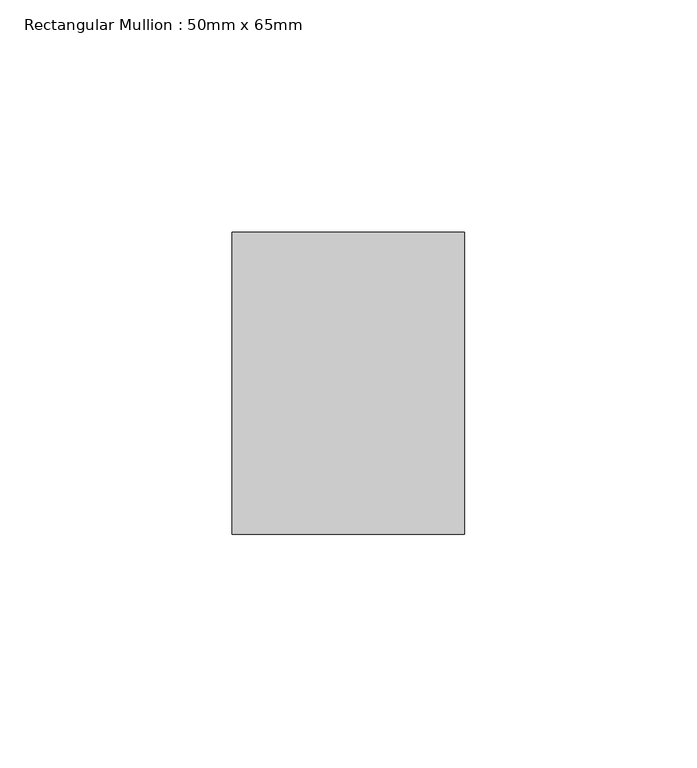
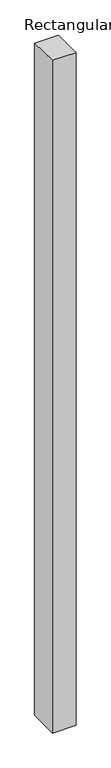
"""IFC4 building model written with IfcOpenShell, lengths in millimetres: member geometry, Rectangular Mullion : 50mm x 65mm."""

import ifcopenshell
import ifcopenshell.guid

model = None  # the IFC model being written
_history = None  # IfcOwnerHistory: only IFC2X3 demands one
_inside = {}  # id of a spatial element -> (the spatial element, [elements in it])
_under = {}  # id of a project, library or spatial element -> (it, [spatial elements below it])
_declared = {}  # id of a project -> (the project, [libraries it declares])
_typed = {}  # id of a type object -> (the type object, [elements of that type])
_made_of = {}  # id of a material, layer set ... -> (it, [elements and type objects made of it])


def new_model(schema):
    """Start an empty IFC model of exactly this schema.

    Asked for "IFC4X3", IfcOpenShell would pick the latest addendum, in which some entities
    have other attributes; the version numbers below select the first issue.
    IFC2X3 requires an IfcOwnerHistory on every rooted entity: one is made here for all.
    """
    global model, _history
    if schema == "IFC4X3":
        model = ifcopenshell.file(schema_version=(4, 3, 0, 0))
    else:
        model = ifcopenshell.file(schema=schema)
    _inside.clear()
    _under.clear()
    _declared.clear()
    _typed.clear()
    _made_of.clear()
    _history = None
    if model.schema == "IFC2X3":
        org = make("IfcOrganization", Name="unknown")
        user = make(
            "IfcPersonAndOrganization",
            ThePerson=make("IfcPerson", FamilyName="unknown"),
            TheOrganization=org,
        )
        app = make(
            "IfcApplication",
            ApplicationDeveloper=org,
            Version="unknown",
            ApplicationFullName="unknown",
            ApplicationIdentifier="unknown",
        )
        _history = make(
            "IfcOwnerHistory",
            OwningUser=user,
            OwningApplication=app,
            ChangeAction="ADDED",
            CreationDate=0,
        )
    return model


def make(cls, **values):
    """One entity of the class cls with the attributes given. An attribute that is None is left unset."""
    return model.create_entity(
        cls, **{name: value for name, value in values.items() if value is not None}
    )


def rooted(cls, **values):
    """An entity with a GlobalId (a new one), such as an element, a storey or a relation."""
    return make(cls, GlobalId=ifcopenshell.guid.new(), OwnerHistory=_history, **values)


def si_unit(unit_type, name, prefix=None):
    """IfcSIUnit, for example si_unit("LENGTHUNIT", "METRE", prefix="MILLI")."""
    return make("IfcSIUnit", UnitType=unit_type, Prefix=prefix, Name=name)


def assignment(units):
    """IfcUnitAssignment: the units of a project."""
    return None if units is None else make("IfcUnitAssignment", Units=units)


def point(xyz):
    """IfcCartesianPoint."""
    return None if xyz is None else make("IfcCartesianPoint", Coordinates=xyz)


def direction(xyz):
    """IfcDirection."""
    return None if xyz is None else make("IfcDirection", DirectionRatios=xyz)


def frame(location, z_axis=None, x_axis=None):
    """IfcAxis2Placement3D, a coordinate frame: its origin and axes. An axis left out is left unset."""
    return make(
        "IfcAxis2Placement3D",
        Location=point(location),
        Axis=direction(z_axis),
        RefDirection=direction(x_axis),
    )


def origin():
    """The frame at (0, 0, 0) with its axes left unset."""
    return frame((0.0, 0.0, 0.0))


def place(relative_to, where):
    """IfcLocalPlacement: puts the frame where relative to a parent placement (None: the world)."""
    return make(
        "IfcLocalPlacement", PlacementRelTo=relative_to, RelativePlacement=where
    )


def context(
    kind, dimensions, precision=None, world=None, true_north=None, identifier=None
):
    """IfcGeometricRepresentationContext, for example the 3D "Model" context."""
    return make(
        "IfcGeometricRepresentationContext",
        ContextIdentifier=identifier,
        ContextType=kind,
        CoordinateSpaceDimension=dimensions,
        Precision=precision,
        WorldCoordinateSystem=world,
        TrueNorth=true_north,
    )


def project(units=None, contexts=None):
    """IfcProject with its units and contexts."""
    return rooted(
        "IfcProject",
        Name="project",
        RepresentationContexts=contexts,
        UnitsInContext=assignment(units),
    )


def spatial(cls, under=None, at=None, **own):
    """A site, building, storey or space (cls), placed at a placement, below another one or the project."""
    s = rooted(cls, ObjectPlacement=at, **own)
    if under is not None:
        _under.setdefault(under.id(), (under, []))[1].append(s)
    return s


def faces_of(points, faces, orient=None, outer=None):
    """IfcFace entities. A face is a list of loops; a loop is a list of indices into points, from 0.

    orient and outer hold one flag for each loop. By default every Orientation is true, the
    first loop of a face is its IfcFaceOuterBound and the others are IfcFaceBound.
    """
    made = []
    for i, loops in enumerate(faces):
        bounds = []
        for j, loop in enumerate(loops):
            is_outer = j == 0 if outer is None else outer[i][j]
            bounds.append(
                make(
                    "IfcFaceOuterBound" if is_outer else "IfcFaceBound",
                    Bound=make("IfcPolyLoop", Polygon=[points[k] for k in loop]),
                    Orientation=True if orient is None else orient[i][j],
                )
            )
        made.append(make("IfcFace", Bounds=bounds))
    return made


def faceted_brep(points, faces, orient=None, outer=None, voids=None):
    """IfcFacetedBrep: a solid bounded by flat faces; with voids (closed shells), ...WithVoids."""
    shared = [point(p) for p in points]
    hull = make("IfcClosedShell", CfsFaces=faces_of(shared, faces, orient, outer))
    if voids is None:
        return make("IfcFacetedBrep", Outer=hull)
    return make(
        "IfcFacetedBrepWithVoids",
        Outer=hull,
        Voids=[
            make(cls, CfsFaces=faces_of(shared, fs, o, b)) for cls, fs, o, b in voids
        ],
    )


def shape(context_of_items, identifier, shape_type, items):
    """IfcShapeRepresentation: the items that make up one representation, for example the "Body"."""
    return make(
        "IfcShapeRepresentation",
        ContextOfItems=context_of_items,
        RepresentationIdentifier=identifier,
        RepresentationType=shape_type,
        Items=items,
    )


def source(mapping_origin, context_of_items, identifier, shape_type, items):
    """IfcRepresentationMap: a shape defined once, which mapped items show again and again."""
    return make(
        "IfcRepresentationMap",
        MappingOrigin=mapping_origin,
        MappedRepresentation=shape(context_of_items, identifier, shape_type, items),
    )


def transform(
    local_origin,
    x_axis=None,
    y_axis=None,
    z_axis=None,
    scale=None,
    scale2=None,
    scale3=None,
    uniform=True,
):
    """IfcCartesianTransformationOperator3D, or its non-uniform kind. x_axis, y_axis, z_axis: its Axis1, 2, 3."""
    if uniform:
        return make(
            "IfcCartesianTransformationOperator3D",
            Axis1=direction(x_axis),
            Axis2=direction(y_axis),
            LocalOrigin=point(local_origin),
            Scale=scale,
            Axis3=direction(z_axis),
        )
    return make(
        "IfcCartesianTransformationOperator3DnonUniform",
        Axis1=direction(x_axis),
        Axis2=direction(y_axis),
        LocalOrigin=point(local_origin),
        Scale=scale,
        Axis3=direction(z_axis),
        Scale2=scale2,
        Scale3=scale3,
    )


def mapped(mapping_source, mapping_target):
    """IfcMappedItem: shows the shape of a source again, moved by a transform."""
    return make(
        "IfcMappedItem", MappingSource=mapping_source, MappingTarget=mapping_target
    )


def made_of(thing, what):
    """Note that an element or type object is made of a material, layer set ...; save() writes the relation."""
    if what is not None:
        _made_of.setdefault(what.id(), (what, []))[1].append(thing)
    return thing


def element(
    cls,
    number,
    at=None,
    inside=None,
    cuts=None,
    type_object=None,
    material=None,
    context=None,
    identifier="Body",
    shape_type=None,
    held_by="IfcProductDefinitionShape",
    body=None,
    shapes=None,
    **own,
):
    """One element of the class cls, such as IfcWall. Its Tag is "e" and its number.

    at: its placement. inside: the storey or other place that contains it. cuts: it is an
    opening in that element (IfcRelVoidsElement). A single representation is given by context,
    identifier, shape_type and body (its items); several are given by shapes. held_by: the class
    of the entity that holds the representations. save() writes the other relations.
    """
    e = rooted(cls, Tag="e%d" % number, ObjectPlacement=at, **own)
    if body is not None:
        shapes = [shape(context, identifier, shape_type, body)]
    if shapes is not None:
        e.Representation = make(held_by, Representations=shapes)
    if inside is not None:
        _inside.setdefault(inside.id(), (inside, []))[1].append(e)
    if cuts is not None:
        rooted(
            "IfcRelVoidsElement", RelatingBuildingElement=cuts, RelatedOpeningElement=e
        )
    if type_object is not None:
        _typed.setdefault(type_object.id(), (type_object, []))[1].append(e)
    return made_of(e, material)


def aggregate(whole, parts):
    """IfcRelAggregates: a whole, such as a stair, and the parts it consists of."""
    return rooted("IfcRelAggregates", RelatingObject=whole, RelatedObjects=parts)


def save(model, path):
    """Write the relations noted so far, then the file.

    IfcRelAggregates (storeys below a building ...), IfcRelContainedInSpatialStructure (elements
    in a storey), IfcRelDefinesByType, IfcRelAssociatesMaterial and IfcRelDeclares: one each for
    every whole, place, type object, material and project.
    """
    for whole, parts in _under.values():
        aggregate(whole, parts)
    for where, things in _inside.values():
        rooted(
            "IfcRelContainedInSpatialStructure",
            RelatedElements=things,
            RelatingStructure=where,
        )
    for kind, things in _typed.values():
        rooted("IfcRelDefinesByType", RelatedObjects=things, RelatingType=kind)
    for what, things in _made_of.values():
        rooted("IfcRelAssociatesMaterial", RelatedObjects=things, RelatingMaterial=what)
    for by, libraries in _declared.values():
        rooted("IfcRelDeclares", RelatingContext=by, RelatedDefinitions=libraries)
    model.write(path)


def rectangular_mullion_50mm_x_65mm_d4cbc6e8(model_context):
    return source(origin(), model_context, "Body", "Brep", [
        faceted_brep([(-25.0, 32.5, -0.4073261), (25.0, 32.5, -0.4073266), (25.0, 32.5, -1499.6943801), (-25.0, 32.5, -1499.6943804), (-25.0, -32.5, 0.4073266), (-25.0, -32.5, -1500.3058287), (25.0, -32.5, 0.4073261), (25.0, -32.5, -1500.3058283)], [[[0, 1, 2, 3]], [[4, 0, 3, 5]], [[6, 4, 5, 7]], [[1, 6, 7, 2]], [[1, 0, 4, 6]], [[2, 7, 5, 3]]]),
    ])


if __name__ == "__main__":
    model = new_model("IFC4")
    model_context = context("Model", 3, world=origin())
    ifc_project = project(units=[si_unit("LENGTHUNIT", "METRE", prefix="MILLI")], contexts=[model_context])
    site = spatial("IfcSite", under=ifc_project)
    building = spatial("IfcBuilding", under=site)
    placement = place(None, origin())
    rectangular_mullion_50mm_x_65mm_shape = rectangular_mullion_50mm_x_65mm_d4cbc6e8(model_context)
    element("IfcMember", 1, ObjectType="Rectangular Mullion : 50mm x 65mm", at=placement, inside=building, context=model_context, shape_type="MappedRepresentation", body=[
        mapped(rectangular_mullion_50mm_x_65mm_shape, transform((0.0, 0.0, 0.0), x_axis=(1.0, 0.0, 0.0), y_axis=(0.0, 1.0, 0.0), z_axis=(0.0, 0.0, 1.0))),
    ])
    save(model, "model.ifc")
